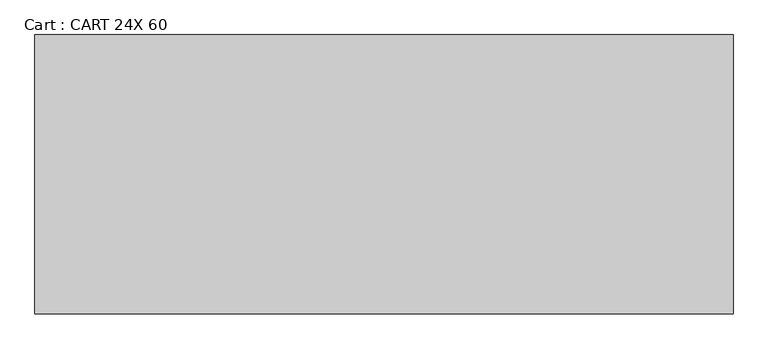
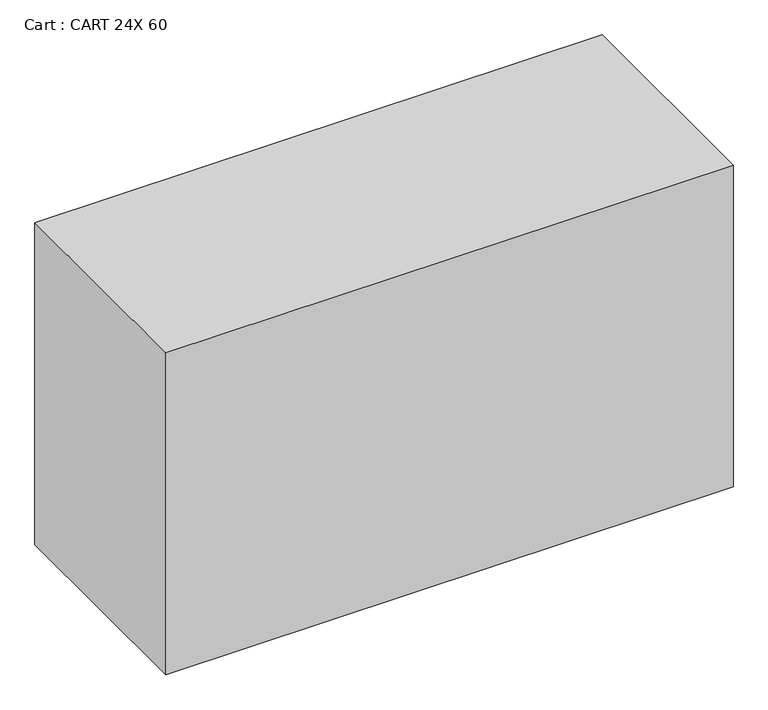
"""IFC4 building model written with IfcOpenShell, lengths in millimetres: proxy geometry, Cart : CART 24X 60."""

from ifc_helpers import new_model, si_unit, origin, origin_with_axes, place, context, project, spatial, polyline, outline, extrude, source, transform, mapped, element, save


def cart_cart_24x_60_880f720f(model_context):
    return source(origin(), model_context, "Body", "SweptSolid", [
        extrude(outline(polyline([(171.1377049, -609.6), (-1352.8622951, -609.6), (-1352.8622951, 0.0), (171.1377049, 0.0), (171.1377049, -609.6)])), origin_with_axes(), (0.0, 0.0, 1.0), 914.4),
    ])


if __name__ == "__main__":
    model = new_model("IFC4")
    model_context = context("Model", 3, world=origin())
    ifc_project = project(units=[si_unit("LENGTHUNIT", "METRE", prefix="MILLI")], contexts=[model_context])
    site = spatial("IfcSite", under=ifc_project)
    building = spatial("IfcBuilding", under=site)
    placement = place(None, origin())
    cart_cart_24x_60_shape = cart_cart_24x_60_880f720f(model_context)
    element("IfcBuildingElementProxy", 1, Name="Cart : CART 24X 60", ObjectType="Cart : CART 24X 60", at=placement, inside=building, context=model_context, shape_type="MappedRepresentation", body=[
        mapped(cart_cart_24x_60_shape, transform((0.0, 0.0, 0.0), x_axis=(1.0, 0.0, 0.0), y_axis=(0.0, 1.0, 0.0), z_axis=(0.0, 0.0, 1.0))),
    ])
    save(model, "model.ifc")
